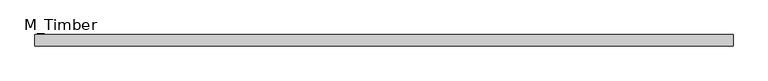
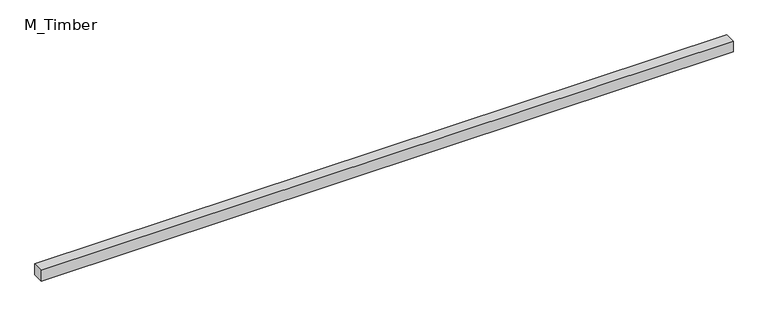
"""IFC4 building model written with IfcOpenShell, lengths in millimetres: beam geometry, M_Timber."""

from ifc_helpers import new_model, si_unit, frame, origin, place, context, project, spatial, polyline, outline, extrude, source, transform, mapped, element, save


def m_timber_9bed56cc(model_context):
    return source(origin(), model_context, "Body", "SweptSolid", [
        extrude(outline(polyline([(1233.2331362, 20.0), (1233.2331362, -20.0), (-1233.2331362, -20.0), (-1233.2331362, 20.0), (1233.2331362, 20.0)])), frame((0.0, 0.0, -20.0), z_axis=(0.0, 0.0, 1.0), x_axis=(1.0, 0.0, 0.0)), (0.0, 0.0, 1.0), 40.0),
    ])


if __name__ == "__main__":
    model = new_model("IFC4")
    model_context = context("Model", 3, world=origin())
    ifc_project = project(units=[si_unit("LENGTHUNIT", "METRE", prefix="MILLI")], contexts=[model_context])
    site = spatial("IfcSite", under=ifc_project)
    building = spatial("IfcBuilding", under=site)
    placement = place(None, origin())
    m_timber_shape = m_timber_9bed56cc(model_context)
    element("IfcBeam", 1, ObjectType="M_Timber", at=placement, inside=building, context=model_context, shape_type="MappedRepresentation", body=[
        mapped(m_timber_shape, transform((0.0, 0.0, 0.0), x_axis=(1.0, 0.0, 0.0), y_axis=(0.0, 1.0, 0.0), z_axis=(0.0, 0.0, 1.0))),
    ])
    save(model, "model.ifc")
